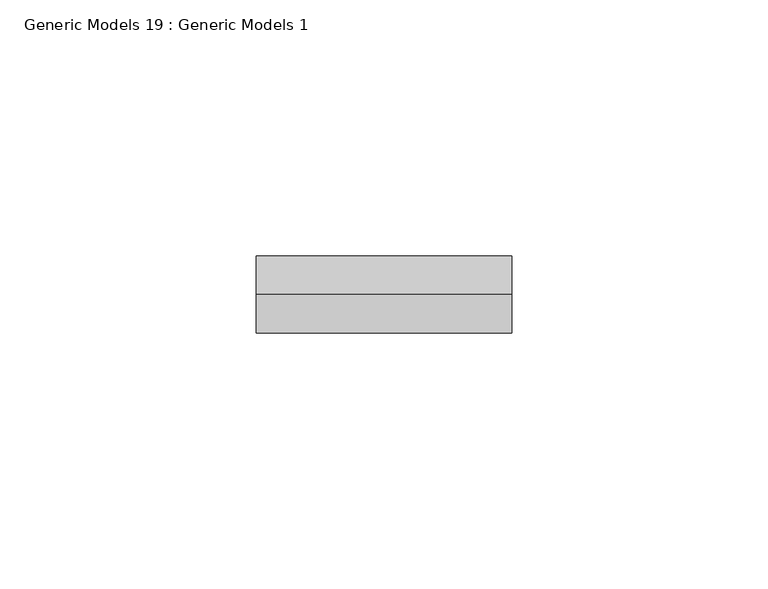
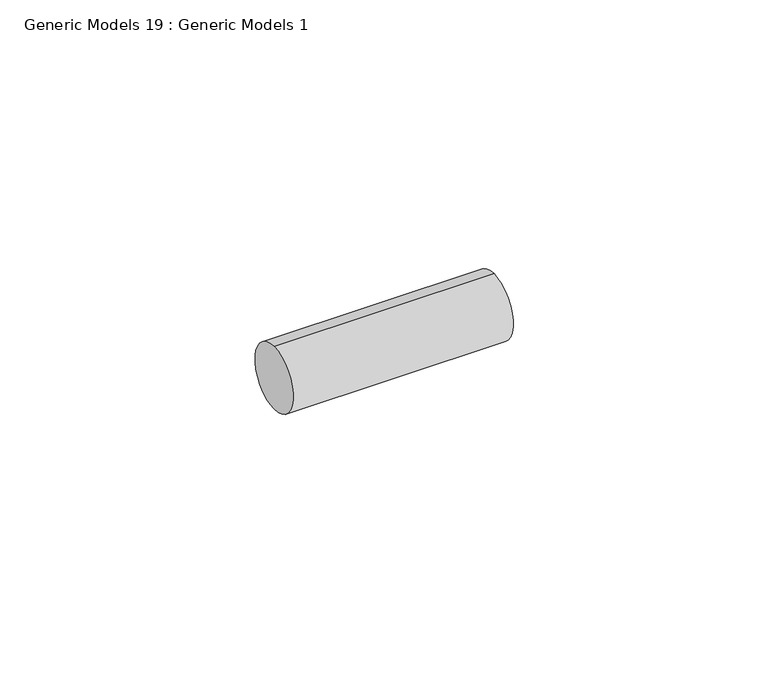
"""IFC4 building model written with IfcOpenShell, lengths in millimetres: proxy geometry, Generic Models 19 : Generic Models 1."""

from ifc_helpers import new_model, si_unit, point, frame, frame_2d, origin, place, context, project, spatial, circle_curve, trimmed, segment, composite_curve, outline, extrude, source, transform, mapped, element, save


def generic_models_19_generic_models_1_8a149d8c(model_context):
    return source(origin(), model_context, "Body", "SweptSolid", [
        extrude(outline(composite_curve([segment(trimmed(circle_curve(frame_2d((400.3057469, -814.107223)), 7.5), [point((400.3057469, -821.607223))], [point((400.3057469, -806.607223))], False, "CARTESIAN"), True, "CONTINUOUS"), segment(trimmed(circle_curve(frame_2d((400.3057469, -814.107223)), 7.5), [point((400.3057469, -806.607223))], [point((400.3057469, -821.607223))], False, "CARTESIAN"), True, "CONTINUOUS")], self_intersect=False)), frame((5448.4864094, 0.0, 0.0), z_axis=(1.0, 0.0, 0.0), x_axis=(0.0, 1.0, 0.0)), (0.0, 0.0, 1.0), 49.8000142),
    ])


if __name__ == "__main__":
    model = new_model("IFC4")
    model_context = context("Model", 3, world=origin())
    ifc_project = project(units=[si_unit("LENGTHUNIT", "METRE", prefix="MILLI")], contexts=[model_context])
    site = spatial("IfcSite", under=ifc_project)
    building = spatial("IfcBuilding", under=site)
    placement = place(None, origin())
    generic_models_19_generic_models_1_shape = generic_models_19_generic_models_1_8a149d8c(model_context)
    element("IfcBuildingElementProxy", 1, Name="Generic Models 19 : Generic Models 1", ObjectType="Generic Models 19 : Generic Models 1", at=placement, inside=building, context=model_context, shape_type="MappedRepresentation", body=[
        mapped(generic_models_19_generic_models_1_shape, transform((0.0, 0.0, 0.0), x_axis=(1.0, 0.0, 0.0), y_axis=(0.0, 1.0, 0.0), z_axis=(0.0, 0.0, 1.0))),
    ])
    save(model, "model.ifc")
